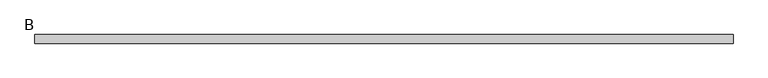
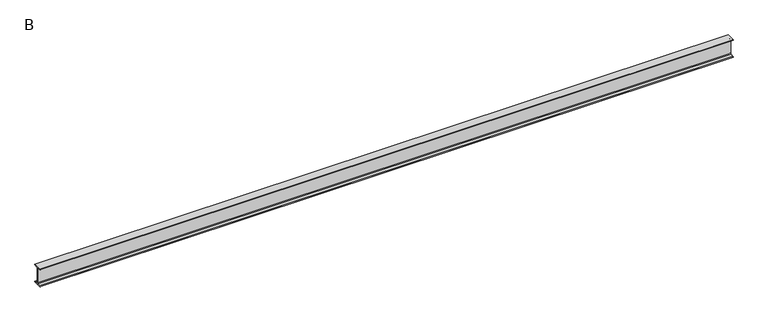
"""IFC4 building model written with IfcOpenShell, lengths in millimetres: beam geometry, B."""

from ifc_helpers import new_model, si_unit, point, frame, frame_2d, origin, place, context, project, spatial, polyline, circle_curve, trimmed, segment, composite_curve, outline, extrude, source, transform, mapped, element, save


def b_47268647(model_context):
    return source(origin(), model_context, "Body", "SweptSolid", [
        extrude(outline(composite_curve([segment(polyline([(70.0, 150.0), (70.0, 147.6333953)]), True, "CONTINUOUS"), segment(trimmed(circle_curve(frame_2d((63.0, 147.6333953)), 7.0), [point((70.0, 147.6333953))], [point((63.9742117, 140.7015188))], False, "CARTESIAN"), True, "CONTINUOUS"), segment(polyline([(63.9742117, 140.7015188), (15.9015766, 133.9453505)]), True, "CONTINUOUS"), segment(trimmed(circle_curve(frame_2d((17.85, 120.0815976)), 14.0), [point((15.9015766, 133.9453505))], [point((3.85, 120.0815976))], True, "CARTESIAN"), True, "CONTINUOUS"), segment(polyline([(3.85, 120.0815976), (3.85, -120.0815976)]), True, "CONTINUOUS"), segment(trimmed(circle_curve(frame_2d((17.85, -120.0815976)), 14.0), [point((3.85, -120.0815976))], [point((15.9015766, -133.9453505))], True, "CARTESIAN"), True, "CONTINUOUS"), segment(polyline([(15.9015766, -133.9453505), (63.9742117, -140.7015188)]), True, "CONTINUOUS"), segment(trimmed(circle_curve(frame_2d((63.0, -147.6333953)), 7.0), [point((63.9742117, -140.7015188))], [point((70.0, -147.6333953))], False, "CARTESIAN"), True, "CONTINUOUS"), segment(polyline([(70.0, -147.6333953), (70.0, -150.0), (-70.0, -150.0), (-70.0, -147.6333953)]), True, "CONTINUOUS"), segment(trimmed(circle_curve(frame_2d((-63.0, -147.6333953)), 7.0), [point((-70.0, -147.6333953))], [point((-63.9742117, -140.7015188))], False, "CARTESIAN"), True, "CONTINUOUS"), segment(polyline([(-63.9742117, -140.7015188), (-15.9015766, -133.9453505)]), True, "CONTINUOUS"), segment(trimmed(circle_curve(frame_2d((-17.85, -120.0815976)), 14.0), [point((-15.9015766, -133.9453505))], [point((-3.85, -120.0815976))], True, "CARTESIAN"), True, "CONTINUOUS"), segment(polyline([(-3.85, -120.0815976), (-3.85, 120.0815976)]), True, "CONTINUOUS"), segment(trimmed(circle_curve(frame_2d((-17.85, 120.0815976)), 14.0), [point((-3.85, 120.0815976))], [point((-15.9015766, 133.9453505))], True, "CARTESIAN"), True, "CONTINUOUS"), segment(polyline([(-15.9015766, 133.9453505), (-63.9742117, 140.7015188)]), True, "CONTINUOUS"), segment(trimmed(circle_curve(frame_2d((-63.0, 147.6333953)), 7.0), [point((-63.9742117, 140.7015188))], [point((-70.0, 147.6333953))], False, "CARTESIAN"), True, "CONTINUOUS"), segment(polyline([(-70.0, 147.6333953), (-70.0, 150.0), (70.0, 150.0)]), True, "CONTINUOUS")], self_intersect=False)), frame((-5756.8, 0.0, 0.0), z_axis=(1.0, 0.0, 0.0), x_axis=(0.0, 1.0, 0.0)), (0.0, 0.0, 1.0), 11333.7),
    ])


if __name__ == "__main__":
    model = new_model("IFC4")
    model_context = context("Model", 3, world=origin())
    ifc_project = project(units=[si_unit("LENGTHUNIT", "METRE", prefix="MILLI")], contexts=[model_context])
    site = spatial("IfcSite", under=ifc_project)
    building = spatial("IfcBuilding", under=site)
    placement = place(None, origin())
    b_shape = b_47268647(model_context)
    element("IfcBeam", 1, ObjectType="B", at=placement, inside=building, context=model_context, shape_type="MappedRepresentation", body=[
        mapped(b_shape, transform((0.0, 0.0, 0.0), x_axis=(1.0, 0.0, 0.0), y_axis=(0.0, 1.0, 0.0), z_axis=(0.0, 0.0, 1.0))),
    ])
    save(model, "model.ifc")
